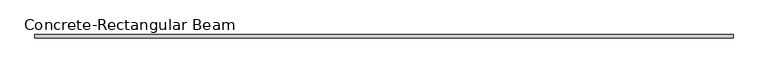
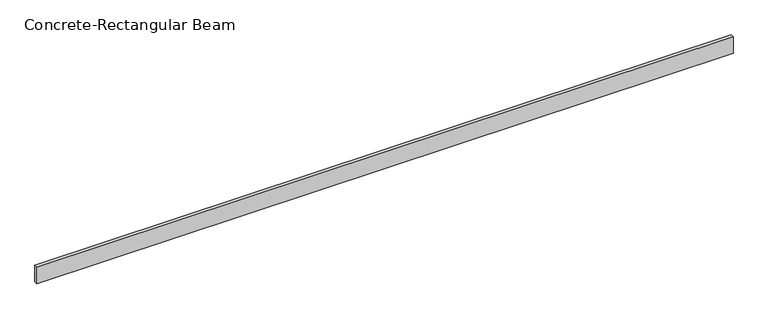
"""IFC4 building model written with IfcOpenShell, lengths in millimetres: beam geometry, Concrete-Rectangular Beam."""

from ifc_helpers import new_model, si_unit, frame, origin, place, context, project, spatial, polyline, outline, extrude, source, transform, mapped, element, save


def concrete_rectangular_beam_08b384f6(model_context):
    return source(origin(), model_context, "Body", "SweptSolid", [
        extrude(outline(polyline([(5180.0, 25.0), (5180.0, -25.0), (-5000.3, -25.0), (-5000.3, 25.0), (5180.0, 25.0)])), frame((0.0, 0.0, -125.0), z_axis=(0.0, 0.0, 1.0), x_axis=(1.0, 0.0, 0.0)), (0.0, 0.0, 1.0), 250.0),
    ])


if __name__ == "__main__":
    model = new_model("IFC4")
    model_context = context("Model", 3, world=origin())
    ifc_project = project(units=[si_unit("LENGTHUNIT", "METRE", prefix="MILLI")], contexts=[model_context])
    site = spatial("IfcSite", under=ifc_project)
    building = spatial("IfcBuilding", under=site)
    placement = place(None, origin())
    concrete_rectangular_beam_shape = concrete_rectangular_beam_08b384f6(model_context)
    element("IfcBeam", 1, ObjectType="Concrete-Rectangular Beam", at=placement, inside=building, context=model_context, shape_type="MappedRepresentation", body=[
        mapped(concrete_rectangular_beam_shape, transform((0.0, 0.0, 0.0), x_axis=(1.0, 0.0, 0.0), y_axis=(0.0, 1.0, 0.0), z_axis=(0.0, 0.0, 1.0))),
    ])
    save(model, "model.ifc")
